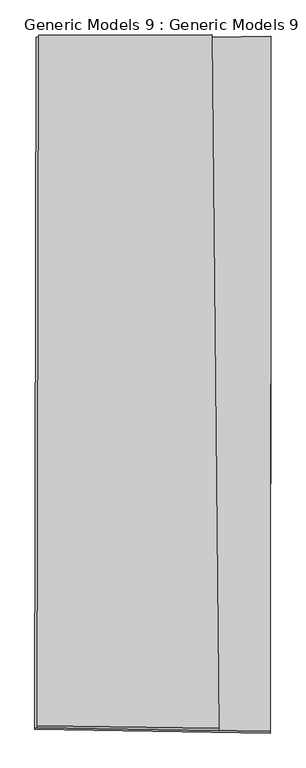
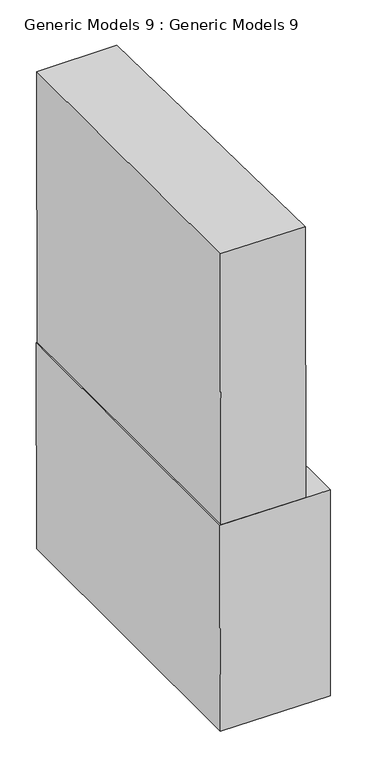
"""IFC4 building model written with IfcOpenShell, lengths in millimetres: proxy geometry, Generic Models 9 : Generic Models 9."""

from ifc_helpers import new_model, si_unit, frame, origin, place, context, project, spatial, polyline, outline, extrude, faceted_brep, source, transform, mapped, element, save


def generic_models_9_generic_models_9_5e707dac(model_context):
    return source(origin(), model_context, "Body", "SolidModel", [
        faceted_brep([(-48315.2157672, 47793.9372277, 108278.925391), (-48821.5772536, 47801.6808488, 108278.8982568), (-48818.7576067, 49282.7165086, 108273.7284466), (-48441.4288996, 49282.9992639, 108273.727537), (-48314.261639, 49284.762653, 108273.7214077), (-48315.2159739, 47797.4561997, 109287.0325452), (-48314.2618457, 49288.2816251, 109281.8285618), (-48441.4291063, 49286.518236, 109281.8346912), (-48818.7578134, 49286.2354807, 109281.8356008), (-48821.5774603, 47805.1998209, 109287.0054109), (-48314.8735522, 48329.19731, 108421.1456932), (-48314.8736639, 48331.1055075, 108967.6507559), (-48314.5988362, 48760.5057681, 108961.398684), (-48314.5987254, 48758.614171, 108419.6479605), (-48681.6059415, 48339.1759944, 108421.1633742), (-48681.5496128, 48340.5487571, 108814.7602602), (-48669.8738148, 48769.655401, 108813.2619778), (-48669.9301435, 48768.2826383, 108419.6650918)], [[[0, 1, 2, 3, 4]], [[5, 6, 7, 8, 9]], [[1, 0, 5, 9]], [[2, 1, 9, 8]], [[3, 2, 8, 7]], [[4, 3, 7, 6]], [[0, 4, 6, 5], [10, 11, 12, 13]], [[14, 15, 11, 10]], [[16, 17, 13, 12]], [[15, 16, 12, 11]], [[17, 14, 10, 13]], [[15, 14, 17, 16]]]),
        extrude(outline(polyline([(-1488.8628666, 0.0), (-1.1380677, 0.0), (-11.3202149, -390.0790017), (-1492.3412305, -372.3125563), (-1488.8628666, 0.0)])), frame((-48426.4042234, 47797.6418633, 109258.8449624), z_axis=(-2.050535305058766e-07, 0.003490651409200935, 0.9999939076577904), x_axis=(0.010091511810820138, -0.9999429873590461, 0.003490475732418208)), (0.0, 0.0, 1.0), 1352.7504379),
    ])


if __name__ == "__main__":
    model = new_model("IFC4")
    model_context = context("Model", 3, world=origin())
    ifc_project = project(units=[si_unit("LENGTHUNIT", "METRE", prefix="MILLI")], contexts=[model_context])
    site = spatial("IfcSite", under=ifc_project)
    building = spatial("IfcBuilding", under=site)
    placement = place(None, origin())
    generic_models_9_generic_models_9_shape = generic_models_9_generic_models_9_5e707dac(model_context)
    element("IfcBuildingElementProxy", 1, Name="Generic Models 9 : Generic Models 9", ObjectType="Generic Models 9 : Generic Models 9", at=placement, inside=building, context=model_context, shape_type="MappedRepresentation", body=[
        mapped(generic_models_9_generic_models_9_shape, transform((0.0, 0.0, 0.0), x_axis=(1.0, 0.0, 0.0), y_axis=(0.0, 1.0, 0.0), z_axis=(0.0, 0.0, 1.0))),
    ])
    save(model, "model.ifc")
